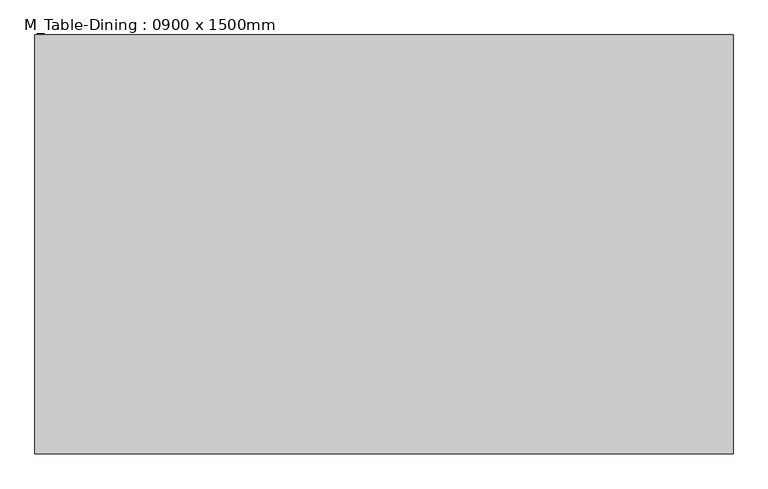
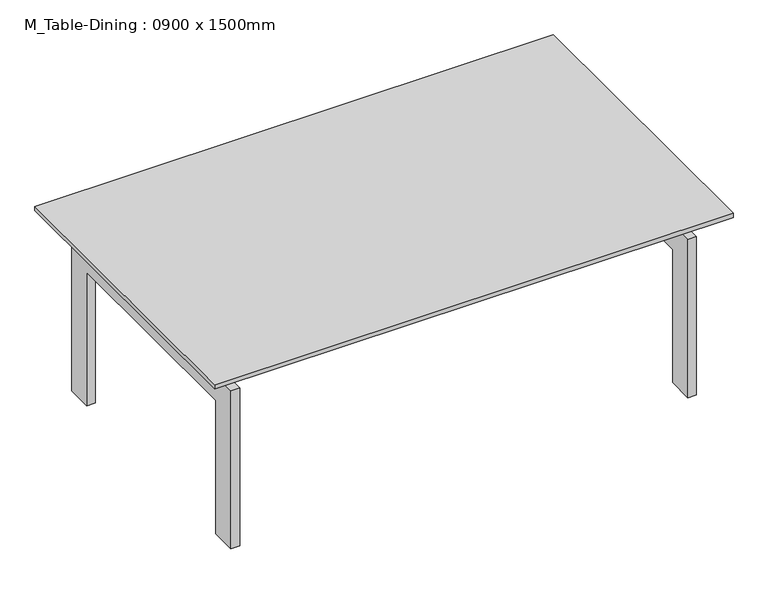
"""IFC4 building model written with IfcOpenShell, lengths in millimetres: furniture geometry, M_Table-Dining : 0900 x 1500mm."""

from ifc_helpers import new_model, si_unit, frame, origin, place, context, project, spatial, polyline, outline, extrude, source, transform, mapped, element, save


def m_table_dining_0900_x_1500mm_8307e06e(model_context):
    return source(origin(), model_context, "Body", "SweptSolid", [
        extrude(outline(polyline([(494.4110778, 0.0), (418.2110778, 0.0), (418.2110778, 407.6), (-227.7889222, 407.6), (-227.7889222, 0.0), (-303.9889222, 0.0), (-303.9889222, 483.8), (494.4110778, 483.8), (494.4110778, 0.0)])), frame((666.6657667, 0.0, 0.0), z_axis=(1.0, 0.0, 0.0), x_axis=(0.0, 1.0, 0.0)), (0.0, 0.0, 1.0), 25.0),
        extrude(outline(polyline([(494.4110778, 483.8), (494.4110778, 0.0), (418.2110778, 0.0), (418.2110778, 407.6), (-227.7889222, 407.6), (-227.7889222, 0.0), (-303.9889222, 0.0), (-303.9889222, 483.8), (494.4110778, 483.8)])), frame((-655.1342333, 0.0, 0.0), z_axis=(1.0, 0.0, 0.0), x_axis=(0.0, 1.0, 0.0)), (0.0, 0.0, 1.0), 25.0),
        extrude(outline(polyline([(666.6657667, 366.7823857), (666.6657667, 341.3823857), (-630.1342333, 341.3823857), (-630.1342333, 366.7823857), (666.6657667, 366.7823857)])), frame((0.0, 0.0, 483.8), z_axis=(0.0, 0.0, 1.0), x_axis=(1.0, 0.0, 0.0)), (0.0, 0.0, 1.0), 63.5),
        extrude(outline(polyline([(666.6657667, -82.5889222), (666.6657667, -107.9889222), (-630.1342333, -107.9889222), (-630.1342333, -82.5889222), (666.6657667, -82.5889222)])), frame((0.0, 0.0, 483.8), z_axis=(0.0, 0.0, 1.0), x_axis=(1.0, 0.0, 0.0)), (0.0, 0.0, 1.0), 63.5),
        extrude(outline(polyline([(768.2657667, 545.2110778), (768.2657667, -354.7889222), (-731.7342333, -354.7889222), (-731.7342333, 545.2110778), (768.2657667, 545.2110778)])), frame((0.0, 0.0, 547.3), z_axis=(0.0, 0.0, 1.0), x_axis=(1.0, 0.0, 0.0)), (0.0, 0.0, 1.0), 12.7),
    ])


if __name__ == "__main__":
    model = new_model("IFC4")
    model_context = context("Model", 3, world=origin())
    ifc_project = project(units=[si_unit("LENGTHUNIT", "METRE", prefix="MILLI")], contexts=[model_context])
    site = spatial("IfcSite", under=ifc_project)
    building = spatial("IfcBuilding", under=site)
    placement = place(None, origin())
    m_table_dining_0900_x_1500mm_shape = m_table_dining_0900_x_1500mm_8307e06e(model_context)
    element("IfcFurniture", 1, ObjectType="M_Table-Dining : 0900 x 1500mm", at=placement, inside=building, context=model_context, shape_type="MappedRepresentation", body=[
        mapped(m_table_dining_0900_x_1500mm_shape, transform((0.0, 0.0, 0.0), x_axis=(1.0, 0.0, 0.0), y_axis=(0.0, 1.0, 0.0), z_axis=(0.0, 0.0, 1.0))),
    ])
    save(model, "model.ifc")
